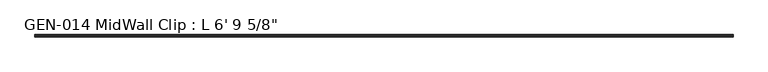
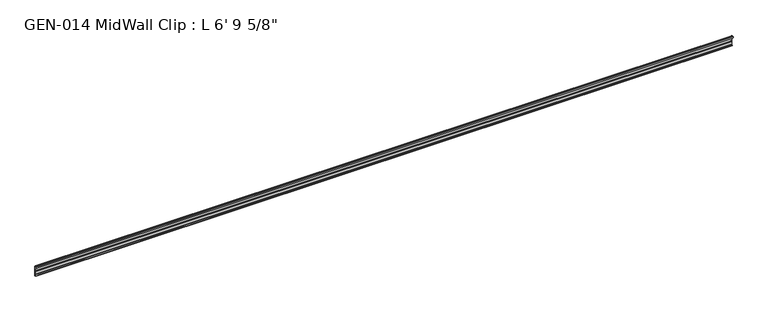
"""IFC4 building model written with IfcOpenShell, lengths in millimetres: proxy geometry."""

from ifc_helpers import new_model, si_unit, point, frame, frame_2d, origin, place, context, project, spatial, polyline, circle_curve, trimmed, segment, composite_curve, outline, extrude, source, transform, mapped, element, save


def proxy_46f98b03(model_context):
    return source(origin(), model_context, "Body", "SweptSolid", [
        extrude(outline(composite_curve([segment(polyline([(2.1386113, 32.1158903), (3.9735584, 32.6885982)]), True, "CONTINUOUS"), segment(trimmed(circle_curve(frame_2d((4.1838513, 32.2686835)), 0.4696291), [point((3.9735584, 32.6885982))], [point((4.6534804, 32.2686835))], False, "CARTESIAN"), True, "CONTINUOUS"), segment(polyline([(4.6534804, 32.2686835), (4.6534804, 30.7270734)]), True, "CONTINUOUS"), segment(trimmed(circle_curve(frame_2d((6.2409804, 30.7270734)), 1.5875), [point((4.6534804, 30.7270734))], [point((6.2409804, 29.1395734))], True, "CARTESIAN"), True, "CONTINUOUS"), segment(polyline([(6.2409804, 29.1395734), (7.5485426, 29.1395734), (7.5485426, 0.0), (4.055874, 0.0), (4.055874, 1.6102595)]), True, "CONTINUOUS"), segment(trimmed(circle_curve(frame_2d((4.0560426, 3.5152595)), 1.905), [point((4.055874, 1.6102595))], [point((5.9610426, 3.5152595))], True, "CARTESIAN"), True, "CONTINUOUS"), segment(polyline([(5.9610426, 3.5152595), (5.9610426, 4.6343152), (5.9610426, 12.4909614), (6.4702065, 13.408381), (6.4702065, 14.7485418), (5.9610426, 15.6659614), (5.9610426, 26.8535734)]), True, "CONTINUOUS"), segment(trimmed(circle_curve(frame_2d((5.4530426, 26.8535734)), 0.508), [point((5.9610426, 26.8535734))], [point((5.4361592, 27.3612928))], True, "CARTESIAN"), True, "CONTINUOUS"), segment(trimmed(circle_curve(frame_2d((5.4154804, 26.5995734)), 0.762), [point((5.4361592, 27.3612928))], [point((4.6764599, 26.4138515))], True, "CARTESIAN"), True, "CONTINUOUS"), segment(trimmed(circle_curve(frame_2d((4.1230664, 26.2747792)), 0.5706009), [point((4.6764599, 26.4138515))], [point((3.9349539, 25.7360779))], False, "CARTESIAN"), True, "CONTINUOUS"), segment(polyline([(3.9349539, 25.7360779), (2.1386113, 26.2967369)]), True, "CONTINUOUS"), segment(trimmed(circle_curve(frame_2d((3.0467234, 29.2063136)), 3.048), [point((2.1386113, 26.2967369))], [point((0.4447727, 30.7938136))], False, "CARTESIAN"), True, "CONTINUOUS"), segment(trimmed(circle_curve(frame_2d((3.0467234, 29.2063136)), 3.048), [point((0.4447727, 30.7938136))], [point((2.1386113, 32.1158903))], False, "CARTESIAN"), True, "CONTINUOUS")], self_intersect=False)), frame((-1768.475, 0.0, 0.0), z_axis=(1.0, 0.0, 0.0), x_axis=(0.0, 1.0, 0.0)), (0.0, 0.0, 1.0), 2073.275),
    ])


if __name__ == "__main__":
    model = new_model("IFC4")
    model_context = context("Model", 3, world=origin())
    ifc_project = project(units=[si_unit("LENGTHUNIT", "METRE", prefix="MILLI")], contexts=[model_context])
    site = spatial("IfcSite", under=ifc_project)
    building = spatial("IfcBuilding", under=site)
    placement = place(None, origin())
    proxy_shape = proxy_46f98b03(model_context)
    element("IfcBuildingElementProxy", 1, Name="GEN-014 MidWall Clip : L 6' 9 5/8\"", ObjectType="GEN-014 MidWall Clip : L 6' 9 5/8\"", at=placement, inside=building, context=model_context, shape_type="MappedRepresentation", body=[
        mapped(proxy_shape, transform((0.0, 0.0, 0.0), x_axis=(1.0, 0.0, 0.0), y_axis=(0.0, 1.0, 0.0), z_axis=(0.0, 0.0, 1.0))),
    ])
    save(model, "model.ifc")
